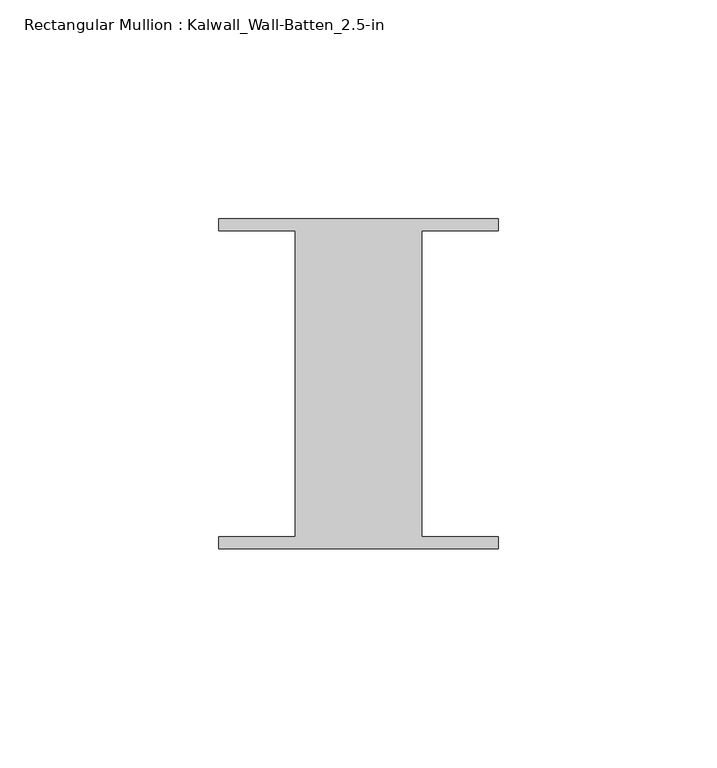
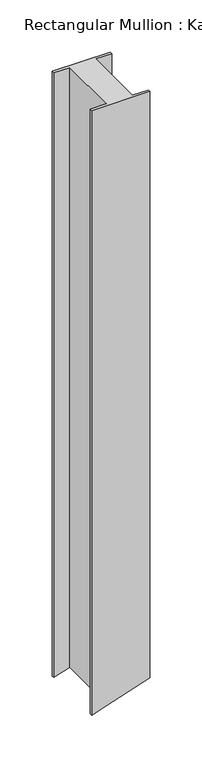
"""IFC4 building model written with IfcOpenShell, lengths in millimetres: member geometry, Rectangular Mullion : Kalwall_Wall-Batten_2.5-in."""

from ifc_helpers import new_model, si_unit, origin, place, context, project, spatial, faceted_brep, source, transform, mapped, element, save


def rectangular_mullion_kalwall_wall_batten_2_5_in_0af9a2e3(model_context):
    return source(origin(), model_context, "Body", "Brep", [
        faceted_brep([(-32.0, 36.524, 0.0), (-32.0, 33.73, 0.0), (-14.5, 33.73, 0.0), (-14.5, -36.27, 0.0), (-32.0, -36.27, 0.0), (-32.0, -39.064, 0.0), (32.0, -39.064, 0.0), (32.0, -36.27, 0.0), (14.5, -36.27, 0.0), (14.5, 33.73, 0.0), (32.0, 33.73, 0.0), (32.0, 36.524, 0.0), (-32.0, 36.524, -706.8629497), (-32.0, 33.73, -706.8629497), (-16.1437442, 33.73, -701.5484903), (-14.5, 33.73, -700.9975651), (-14.5, -36.27, -700.9975651), (-16.1437442, -36.27, -701.5484903), (-32.0, -36.27, -706.8629497), (-32.0, -39.064, -706.8629497), (-16.1437442, -39.064, -701.5484903), (32.0, -39.064, -685.4124003), (32.0, -36.27, -685.4124003), (14.5, -36.27, -691.2777849), (14.5, 33.73, -691.2777849), (32.0, 33.73, -685.4124003), (32.0, 36.524, -685.4124003), (-16.1437442, 36.524, -701.5484903)], [[[0, 1, 2, 3, 4, 5, 6, 7, 8, 9, 10, 11]], [[1, 0, 12, 13]], [[2, 1, 13, 14, 15]], [[3, 2, 15, 16]], [[4, 3, 16, 17, 18]], [[5, 4, 18, 19]], [[6, 5, 19, 20, 21]], [[7, 6, 21, 22]], [[8, 7, 22, 23]], [[9, 8, 23, 24]], [[10, 9, 24, 25]], [[11, 10, 25, 26]], [[0, 11, 26, 27, 12]], [[20, 19, 18, 17]], [[27, 26, 25, 24, 23, 22, 21, 20, 17, 16, 15, 14]], [[12, 27, 14, 13]]]),
    ])


if __name__ == "__main__":
    model = new_model("IFC4")
    model_context = context("Model", 3, world=origin())
    ifc_project = project(units=[si_unit("LENGTHUNIT", "METRE", prefix="MILLI")], contexts=[model_context])
    site = spatial("IfcSite", under=ifc_project)
    building = spatial("IfcBuilding", under=site)
    placement = place(None, origin())
    rectangular_mullion_kalwall_wall_batten_2_5_in_shape = rectangular_mullion_kalwall_wall_batten_2_5_in_0af9a2e3(model_context)
    element("IfcMember", 1, ObjectType="Rectangular Mullion : Kalwall_Wall-Batten_2.5-in", at=placement, inside=building, context=model_context, shape_type="MappedRepresentation", body=[
        mapped(rectangular_mullion_kalwall_wall_batten_2_5_in_shape, transform((0.0, 0.0, 0.0), x_axis=(1.0, 0.0, 0.0), y_axis=(0.0, 1.0, 0.0), z_axis=(0.0, 0.0, 1.0))),
    ])
    save(model, "model.ifc")
